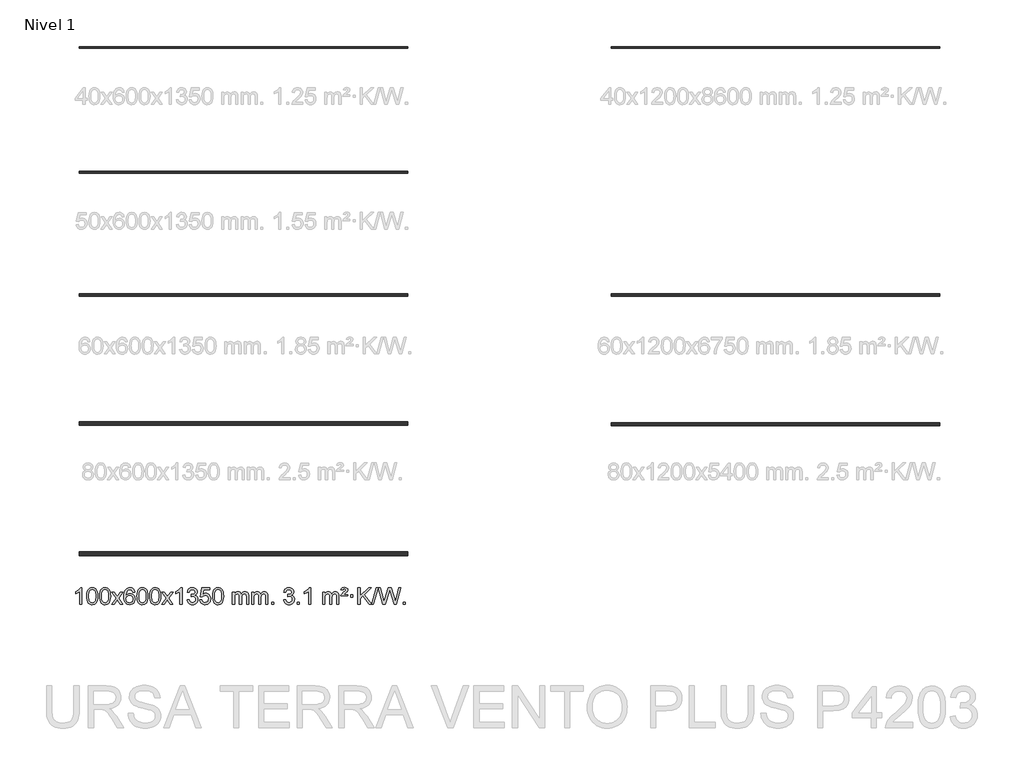
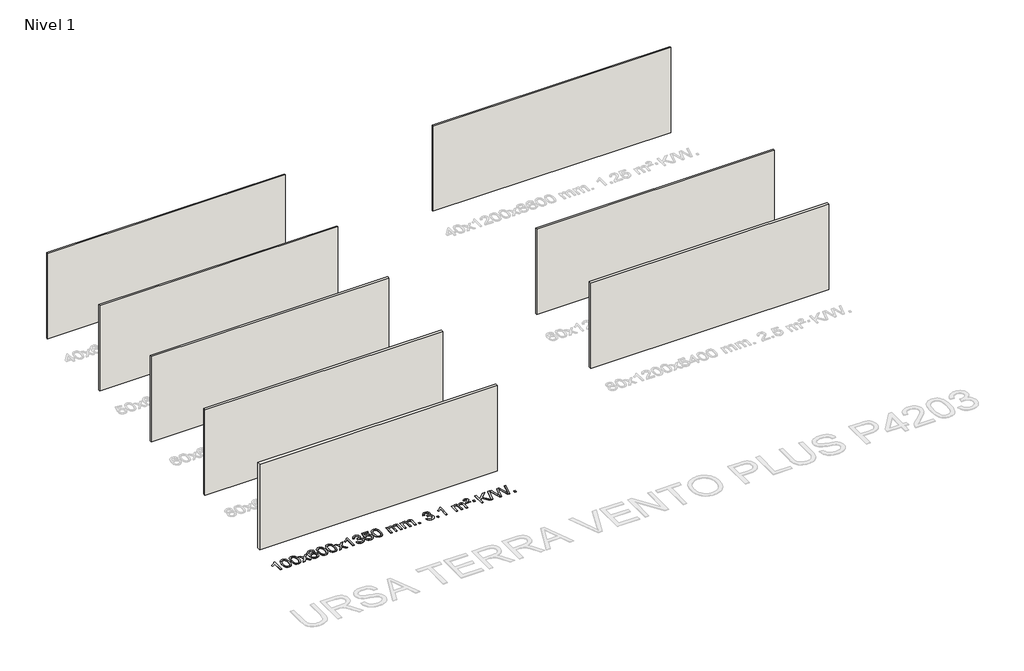
# One storey, part 1 of 9: 8 walls, 1 proxy.
"""IFC4 building model written with IfcOpenShell, lengths in millimetres."""

from ifc_helpers import new_model, si_unit, origin, origin_with_axes, place, context, project, spatial, polyline, outline, extrude, element, save

model = new_model("IFC4")

# Units and contexts
model_context = context("Model", 3, world=origin())
ifc_project = project(units=[si_unit("LENGTHUNIT", "METRE", prefix="MILLI")], contexts=[model_context])

# Site, building, storey
site = spatial("IfcSite", under=ifc_project)
building = spatial("IfcBuilding", under=site)
storey = spatial("IfcBuildingStorey", under=building, Name="Nivel 1", Elevation=0.0)

# Proxy
placement = place(None, origin())
element("IfcBuildingElementProxy", 1, Name="Texto de modelo 1", ObjectType="Texto de modelo 1", at=placement, inside=storey, context=model_context, shape_type="SweptSolid", body=[
    extrude(outline(polyline([(-12973.1124343, -9420.579453), (-13023.3405894, -9420.579453), (-13023.3405894, -9107.4382987), (-13044.3098631, -9124.3976587), (-13070.9199941, -9141.3324932), (-13123.7968995, -9166.6918254), (-13123.7968995, -9119.2105225), (-13084.3476869, -9097.7507395), (-13050.1714496, -9072.219729), (-13023.2302248, -9045.0700378), (-13005.4860499, -9018.7542124), (-12973.1124343, -9018.7542124), (-12973.1124343, -9420.579453)])), origin_with_axes(), (0.0, 0.0, 1.0), 10.0),
    extrude(outline(polyline([(-12853.820566, -9222.9041943), (-12850.1294833, -9158.5861588), (-12839.0562353, -9107.2911459), (-12820.7111864, -9068.2343407), (-12808.8531234, -9053.0009605), (-12795.2047014, -9040.6309284), (-12779.7199351, -9031.0598651), (-12762.3528393, -9024.2233914), (-12721.9716589, -9018.7542124), (-12691.0205204, -9021.991574), (-12663.3067434, -9031.7036586), (-12640.1301777, -9047.5103217), (-12622.790673, -9069.0314184), (-12609.694074, -9096.0830078), (-12599.2462253, -9128.4811488), (-12592.4036202, -9169.6226186), (-12590.1227518, -9222.9041943), (-12593.7770463, -9286.8543477), (-12604.7399298, -9338.0267333), (-12622.974614, -9377.1203266), (-12634.8050858, -9392.3996922), (-12648.4443108, -9404.8341036), (-12663.9474712, -9414.4695462), (-12681.3697494, -9421.3520052), (-12721.9716589, -9426.8579724), (-12749.636385, -9424.4667394), (-12774.1618513, -9417.2930405), (-12795.548058, -9405.3368757), (-12813.7950049, -9388.5982449), (-12831.3061879, -9358.3399508), (-12843.8141757, -9320.6381776), (-12851.3189684, -9275.4929255), (-12853.820566, -9222.9041943)]), holes=[polyline([(-12803.5924109, -9222.8060924), (-12802.1208829, -9266.4706195), (-12797.706299, -9301.8148822), (-12790.3486591, -9328.8388804), (-12780.0479632, -9347.5426142), (-12767.5890263, -9360.2682656), (-12753.7566633, -9369.3580165), (-12738.5508742, -9374.8118671), (-12721.9716589, -9376.6298173), (-12705.3924437, -9374.8057357), (-12690.1866545, -9369.3334911), (-12676.3542915, -9360.2130833), (-12663.8953546, -9347.4445124), (-12653.5946588, -9328.7101217), (-12646.2370188, -9301.6922549), (-12641.8224349, -9266.3909118), (-12640.3509069, -9222.8060924), (-12641.773384, -9180.2973278), (-12646.0408151, -9145.5753989), (-12653.1532004, -9118.6403055), (-12663.1105397, -9099.4920476), (-12675.3610101, -9086.1440625), (-12689.3527887, -9076.6097875), (-12705.0858753, -9070.8892225), (-12722.5602701, -9068.9823675), (-12739.0536462, -9070.6623619), (-12754.001918, -9075.7023452), (-12767.4050853, -9084.1023175), (-12779.2631483, -9095.8622786), (-12789.9072007, -9116.708925), (-12797.5100953, -9144.8151094), (-12802.071832, -9180.1808319), (-12803.5924109, -9222.8060924)])]), origin_with_axes(), (0.0, 0.0, 1.0), 10.0),
    extrude(outline(polyline([(-12546.1731162, -9222.9041943), (-12542.4820335, -9158.5861588), (-12531.4087854, -9107.2911459), (-12513.0637366, -9068.2343407), (-12501.2056736, -9053.0009605), (-12487.5572516, -9040.6309284), (-12472.0724853, -9031.0598651), (-12454.7053894, -9024.2233914), (-12414.3242091, -9018.7542124), (-12383.3730706, -9021.991574), (-12355.6592936, -9031.7036586), (-12332.4827279, -9047.5103217), (-12315.1432232, -9069.0314184), (-12302.0466242, -9096.0830078), (-12291.5987755, -9128.4811488), (-12284.7561704, -9169.6226186), (-12282.475302, -9222.9041943), (-12286.1295965, -9286.8543477), (-12297.09248, -9338.0267333), (-12315.3271642, -9377.1203266), (-12327.157636, -9392.3996922), (-12340.796861, -9404.8341036), (-12356.3000214, -9414.4695462), (-12373.7222996, -9421.3520052), (-12414.3242091, -9426.8579724), (-12441.9889351, -9424.4667394), (-12466.5144015, -9417.2930405), (-12487.9006081, -9405.3368757), (-12506.1475551, -9388.5982449), (-12523.6587381, -9358.3399508), (-12536.1667259, -9320.6381776), (-12543.6715186, -9275.4929255), (-12546.1731162, -9222.9041943)]), holes=[polyline([(-12495.9449611, -9222.8060924), (-12494.4734331, -9266.4706195), (-12490.0588492, -9301.8148822), (-12482.7012093, -9328.8388804), (-12472.4005134, -9347.5426142), (-12459.9415765, -9360.2682656), (-12446.1092135, -9369.3580165), (-12430.9034243, -9374.8118671), (-12414.3242091, -9376.6298173), (-12397.7449938, -9374.8057357), (-12382.5392047, -9369.3334911), (-12368.7068417, -9360.2130833), (-12356.2479048, -9347.4445124), (-12345.9472089, -9328.7101217), (-12338.589569, -9301.6922549), (-12334.1749851, -9266.3909118), (-12332.7034571, -9222.8060924), (-12334.1259341, -9180.2973278), (-12338.3933653, -9145.5753989), (-12345.5057505, -9118.6403055), (-12355.4630899, -9099.4920476), (-12367.7135603, -9086.1440625), (-12381.7053388, -9076.6097875), (-12397.4384255, -9070.8892225), (-12414.9128203, -9068.9823675), (-12431.4061964, -9070.6623619), (-12446.3544681, -9075.7023452), (-12459.7576355, -9084.1023175), (-12471.6156985, -9095.8622786), (-12482.2597509, -9116.708925), (-12489.8626454, -9144.8151094), (-12494.4243822, -9180.1808319), (-12495.9449611, -9222.8060924)])]), origin_with_axes(), (0.0, 0.0, 1.0), 10.0),
    extrude(outline(polyline([(-12257.3612245, -9420.579453), (-12150.0377838, -9272.2494325), (-12251.0827051, -9125.4890419), (-12190.651956, -9125.4890419), (-12141.8953289, -9196.122385), (-12119.1356962, -9229.4770192), (-12099.4172212, -9202.2047007), (-12043.8915654, -9125.4890419), (-11983.4608163, -9125.4890419), (-12089.6070347, -9272.2494325), (-11987.384891, -9420.579453), (-12047.81564, -9420.579453), (-12109.3255096, -9331.4048574), (-12120.6072241, -9315.1199477), (-12196.9304754, -9420.579453), (-12257.3612245, -9420.579453)])), origin_with_axes(), (0.0, 0.0, 1.0), 10.0),
    extrude(outline(polyline([(-11698.5729993, -9125.4890419), (-11748.8011543, -9131.7675613), (-11756.8945582, -9106.874213), (-11767.8329162, -9089.8780648), (-11790.6170745, -9074.2062918), (-11818.1591732, -9068.9823675), (-11841.5074171, -9072.0235253), (-11863.482235, -9081.1469988), (-11882.3545813, -9100.3627017), (-11897.7688369, -9126.8134171), (-11908.1798974, -9164.227016), (-11912.0426583, -9216.3313693), (-11891.8949877, -9192.8237098), (-11867.7496661, -9176.2567573), (-11840.9555941, -9166.434308), (-11812.8616724, -9163.1601582), (-11788.7286136, -9165.398107), (-11766.4594901, -9172.1119534), (-11746.0543021, -9183.3016975), (-11727.5130496, -9198.9673391), (-11712.1049253, -9218.1769106), (-11701.0991223, -9239.9984443), (-11694.4956405, -9264.4319401), (-11692.2944799, -9291.4773982), (-11696.4392837, -9327.4439945), (-11708.8736951, -9360.786366), (-11728.5676446, -9389.0642287), (-11754.4910625, -9409.8372987), (-11785.4667265, -9422.602804), (-11820.3174142, -9426.8579724), (-11850.2599429, -9424.0375437), (-11877.3023353, -9415.5762579), (-11901.4445912, -9401.4741147), (-11922.6867107, -9381.7311143), (-11940.0047557, -9355.5133908), (-11952.3747877, -9321.9870783), (-11959.796807, -9281.1521768), (-11962.2708134, -9233.0086864), (-11959.5239612, -9179.0342663), (-11951.2834045, -9132.9693092), (-11937.5491433, -9094.8138149), (-11918.3211777, -9064.5677835), (-11897.4806627, -9044.5243462), (-11873.316947, -9030.2076052), (-11845.8300306, -9021.6175606), (-11815.0199135, -9018.7542124), (-11791.8862673, -9020.5261773), (-11770.9476505, -9025.8420722), (-11752.2040628, -9034.7018969), (-11735.6555044, -9047.1056515), (-11721.749565, -9062.6364031), (-11710.9338343, -9080.8772186), (-11703.2083124, -9101.8280983), (-11698.5729993, -9125.4890419)]), holes=[polyline([(-11912.0426583, -9290.6925832), (-11909.1363906, -9312.9494439), (-11900.4175873, -9334.2007605), (-11886.8795299, -9352.472233), (-11869.5154997, -9365.7895612), (-11848.5584887, -9373.9197533), (-11824.2414888, -9376.6298173), (-11791.0953211, -9371.0134855), (-11777.1801846, -9363.9930708), (-11765.0370131, -9354.1644901), (-11755.1869726, -9341.9262824), (-11748.1512295, -9327.6769865), (-11742.522635, -9293.1451299), (-11748.0776531, -9259.9989621), (-11755.0214257, -9246.3781312), (-11764.7427075, -9234.725469), (-11776.9226672, -9225.3904634), (-11791.2424739, -9218.7226022), (-11826.301628, -9213.3883133), (-11859.3987448, -9218.7226022), (-11887.0757336, -9234.725469), (-11897.9987632, -9246.2248471), (-11905.8009272, -9259.3858254), (-11910.4822255, -9274.2084042), (-11912.0426583, -9290.6925832)])]), origin_with_axes(), (0.0, 0.0, 1.0), 10.0),
    extrude(outline(polyline([(-11648.3448442, -9222.9041943), (-11644.6537615, -9158.5861588), (-11633.5805135, -9107.2911459), (-11615.2354646, -9068.2343407), (-11603.3774017, -9053.0009605), (-11589.7289796, -9040.6309284), (-11574.2442133, -9031.0598651), (-11556.8771175, -9024.2233914), (-11516.4959371, -9018.7542124), (-11485.5447986, -9021.991574), (-11457.8310216, -9031.7036586), (-11434.6544559, -9047.5103217), (-11417.3149512, -9069.0314184), (-11404.2183522, -9096.0830078), (-11393.7705035, -9128.4811488), (-11386.9278984, -9169.6226186), (-11384.6470301, -9222.9041943), (-11388.3013245, -9286.8543477), (-11399.264208, -9338.0267333), (-11417.4988922, -9377.1203266), (-11429.3293641, -9392.3996922), (-11442.968589, -9404.8341036), (-11458.4717494, -9414.4695462), (-11475.8940276, -9421.3520052), (-11516.4959371, -9426.8579724), (-11544.1606632, -9424.4667394), (-11568.6861295, -9417.2930405), (-11590.0723362, -9405.3368757), (-11608.3192831, -9388.5982449), (-11625.8304661, -9358.3399508), (-11638.3384539, -9320.6381776), (-11645.8432466, -9275.4929255), (-11648.3448442, -9222.9041943)]), holes=[polyline([(-11598.1166891, -9222.8060924), (-11596.6451611, -9266.4706195), (-11592.2305772, -9301.8148822), (-11584.8729373, -9328.8388804), (-11574.5722414, -9347.5426142), (-11562.1133045, -9360.2682656), (-11548.2809415, -9369.3580165), (-11533.0751524, -9374.8118671), (-11516.4959371, -9376.6298173), (-11499.9167219, -9374.8057357), (-11484.7109327, -9369.3334911), (-11470.8785697, -9360.2130833), (-11458.4196328, -9347.4445124), (-11448.118937, -9328.7101217), (-11440.7612971, -9301.6922549), (-11436.3467131, -9266.3909118), (-11434.8751851, -9222.8060924), (-11436.2976622, -9180.2973278), (-11440.5650933, -9145.5753989), (-11447.6774786, -9118.6403055), (-11457.6348179, -9099.4920476), (-11469.8852883, -9086.1440625), (-11483.8770669, -9076.6097875), (-11499.6101535, -9070.8892225), (-11517.0845483, -9068.9823675), (-11533.5779244, -9070.6623619), (-11548.5261962, -9075.7023452), (-11561.9293635, -9084.1023175), (-11573.7874265, -9095.8622786), (-11584.4314789, -9116.708925), (-11592.0343735, -9144.8151094), (-11596.5961102, -9180.1808319), (-11598.1166891, -9222.8060924)])]), origin_with_axes(), (0.0, 0.0, 1.0), 10.0),
    extrude(outline(polyline([(-11340.6973944, -9222.9041943), (-11337.0063117, -9158.5861588), (-11325.9330636, -9107.2911459), (-11307.5880148, -9068.2343407), (-11295.7299518, -9053.0009605), (-11282.0815298, -9040.6309284), (-11266.5967635, -9031.0598651), (-11249.2296676, -9024.2233914), (-11208.8484873, -9018.7542124), (-11177.8973488, -9021.991574), (-11150.1835718, -9031.7036586), (-11127.0070061, -9047.5103217), (-11109.6675014, -9069.0314184), (-11096.5709024, -9096.0830078), (-11086.1230537, -9128.4811488), (-11079.2804486, -9169.6226186), (-11076.9995802, -9222.9041943), (-11080.6538747, -9286.8543477), (-11091.6167582, -9338.0267333), (-11109.8514424, -9377.1203266), (-11121.6819142, -9392.3996922), (-11135.3211392, -9404.8341036), (-11150.8242996, -9414.4695462), (-11168.2465778, -9421.3520052), (-11208.8484873, -9426.8579724), (-11236.5132133, -9424.4667394), (-11261.0386797, -9417.2930405), (-11282.4248863, -9405.3368757), (-11300.6718333, -9388.5982449), (-11318.1830163, -9358.3399508), (-11330.6910041, -9320.6381776), (-11338.1957968, -9275.4929255), (-11340.6973944, -9222.9041943)]), holes=[polyline([(-11290.4692393, -9222.8060924), (-11288.9977113, -9266.4706195), (-11284.5831274, -9301.8148822), (-11277.2254875, -9328.8388804), (-11266.9247916, -9347.5426142), (-11254.4658547, -9360.2682656), (-11240.6334917, -9369.3580165), (-11225.4277025, -9374.8118671), (-11208.8484873, -9376.6298173), (-11192.269272, -9374.8057357), (-11177.0634829, -9369.3334911), (-11163.2311199, -9360.2130833), (-11150.772183, -9347.4445124), (-11140.4714871, -9328.7101217), (-11133.1138472, -9301.6922549), (-11128.6992633, -9266.3909118), (-11127.2277353, -9222.8060924), (-11128.6502123, -9180.2973278), (-11132.9176435, -9145.5753989), (-11140.0300287, -9118.6403055), (-11149.9873681, -9099.4920476), (-11162.2378385, -9086.1440625), (-11176.2296171, -9076.6097875), (-11191.9627037, -9070.8892225), (-11209.4370985, -9068.9823675), (-11225.9304746, -9070.6623619), (-11240.8787463, -9075.7023452), (-11254.2819137, -9084.1023175), (-11266.1399767, -9095.8622786), (-11276.7840291, -9116.708925), (-11284.3869236, -9144.8151094), (-11288.9486604, -9180.1808319), (-11290.4692393, -9222.8060924)])]), origin_with_axes(), (0.0, 0.0, 1.0), 10.0),
    extrude(outline(polyline([(-11051.8855027, -9420.579453), (-10944.562062, -9272.2494325), (-11045.6069833, -9125.4890419), (-10985.1762342, -9125.4890419), (-10936.4196071, -9196.122385), (-10913.6599744, -9229.4770192), (-10893.9414994, -9202.2047007), (-10838.4158436, -9125.4890419), (-10777.9850945, -9125.4890419), (-10884.1313129, -9272.2494325), (-10781.9091692, -9420.579453), (-10842.3399182, -9420.579453), (-10903.8497878, -9331.4048574), (-10915.1315023, -9315.1199477), (-10991.4547536, -9420.579453), (-11051.8855027, -9420.579453)])), origin_with_axes(), (0.0, 0.0, 1.0), 10.0),
    extrude(outline(polyline([(-10562.1609907, -9420.579453), (-10612.3891458, -9420.579453), (-10612.3891458, -9107.4382987), (-10633.3584195, -9124.3976587), (-10659.9685505, -9141.3324932), (-10712.8454559, -9166.6918254), (-10712.8454559, -9119.2105225), (-10673.3962433, -9097.7507395), (-10639.220006, -9072.219729), (-10612.2787812, -9045.0700378), (-10594.5346063, -9018.7542124), (-10562.1609907, -9018.7542124), (-10562.1609907, -9420.579453)])), origin_with_axes(), (0.0, 0.0, 1.0), 10.0),
    extrude(outline(polyline([(-10442.8691224, -9313.8446235), (-10392.6409673, -9307.5661041), (-10381.396041, -9339.1303793), (-10364.9271904, -9360.4430095), (-10342.425075, -9372.5831154), (-10313.0803545, -9376.6298173), (-10278.6465998, -9371.0625364), (-10264.3727783, -9364.1034354), (-10252.0609942, -9354.3606939), (-10235.0648461, -9329.4428201), (-10229.3994633, -9299.2274455), (-10235.0157951, -9270.5449126), (-10251.8647905, -9247.2825078), (-10277.3712755, -9231.8682522), (-10308.9600762, -9226.730167), (-10344.1786458, -9232.2238715), (-10338.5868395, -9181.9957164), (-10330.5424865, -9182.5843276), (-10300.4497393, -9178.979084), (-10273.5453028, -9168.1633534), (-10262.4720547, -9159.9841103), (-10254.5625918, -9149.8673555), (-10249.8169141, -9137.8130888), (-10248.2350215, -9123.8213102), (-10252.8212837, -9102.1285352), (-10266.5800703, -9084.5315131), (-10287.5738695, -9072.8696539), (-10313.8651694, -9068.9823675), (-10340.2055203, -9072.9064421), (-10361.7388797, -9084.6786659), (-10377.4597037, -9104.299039), (-10386.3624479, -9131.7675613), (-10436.590603, -9125.4890419), (-10430.6370461, -9101.5092672), (-10421.8017468, -9080.3867093), (-10410.0847053, -9062.1213683), (-10395.4859214, -9046.713244), (-10378.4652478, -9034.4811677), (-10359.4825368, -9025.7439703), (-10338.5377886, -9020.5016519), (-10315.631003, -9018.7542124), (-10284.0544651, -9022.2000404), (-10255.0531011, -9032.5375245), (-10230.6012112, -9048.8469596), (-10212.6730953, -9070.2086408), (-10201.6734236, -9094.8199463), (-10198.0068664, -9120.8782543), (-10201.4894826, -9145.1584659), (-10211.9373313, -9167.1823347), (-10229.2032596, -9185.9443165), (-10253.1401148, -9200.4388671), (-10221.6984669, -9213.1430586), (-10198.3992739, -9234.77452), (-10183.9782997, -9264.1560286), (-10179.1713083, -9300.1103623), (-10181.574804, -9325.5923218), (-10188.7852911, -9349.0631931), (-10200.8027696, -9370.5229762), (-10217.6272395, -9389.971671), (-10238.124398, -9406.1094278), (-10261.1599423, -9417.636397), (-10286.7338723, -9424.5525785), (-10314.8461881, -9426.8579724), (-10340.2545712, -9424.8898037), (-10363.4066114, -9418.9852977), (-10384.3023088, -9409.1444543), (-10402.9416632, -9395.3672736), (-10418.5705166, -9378.4630959), (-10430.434711, -9359.2412617), (-10438.5342462, -9337.7017708), (-10442.8691224, -9313.8446235)])), origin_with_axes(), (0.0, 0.0, 1.0), 10.0),
    extrude(outline(polyline([(-10135.2216726, -9313.8446235), (-10084.9935175, -9307.5661041), (-10075.7719421, -9337.7201649), (-10059.6832362, -9359.3148381), (-10036.8009761, -9372.3010725), (-10007.1987382, -9376.6298173), (-9988.0688745, -9375.1245668), (-9971.1953537, -9370.6088153), (-9956.5781757, -9363.0825628), (-9944.2173407, -9352.5458094), (-9934.38876, -9339.519721), (-9927.3683453, -9324.5254641), (-9921.7520135, -9288.6324441), (-9927.012726, -9254.8363514), (-9933.5886167, -9240.9181493), (-9942.7948636, -9228.9865099), (-9954.6621237, -9219.4154467), (-9969.2210536, -9212.5789729), (-10006.4139233, -9207.1097939), (-10030.7799741, -9209.2925604), (-10050.5107118, -9215.8408599), (-10066.2683239, -9225.8717757), (-10078.7149981, -9238.5023908), (-10128.9431532, -9232.2238715), (-10084.9935175, -9025.0327318), (-9890.3594166, -9025.0327318), (-9890.3594166, -9075.2608869), (-10044.3793452, -9075.2608869), (-10065.8636537, -9185.919791), (-10048.1378729, -9173.2155994), (-10029.9828965, -9164.1411769), (-10011.3987244, -9158.6965234), (-9992.3853566, -9156.8816388), (-9967.9242696, -9159.1318504), (-9945.4558767, -9165.882485), (-9924.980178, -9177.1335427), (-9906.4971734, -9192.8850234), (-9891.1963481, -9212.1743027), (-9880.2671872, -9234.038756), (-9873.7096906, -9258.4783832), (-9871.5238584, -9285.4931844), (-9873.4920271, -9311.5147042), (-9879.3965331, -9335.7213394), (-9889.2373765, -9358.1130902), (-9903.0145572, -9378.6899565), (-9923.8857291, -9399.7634634), (-9948.2395172, -9414.8159684), (-9976.0759215, -9423.8474714), (-10007.394942, -9426.8579724), (-10033.3152942, -9424.9235262), (-10056.7279175, -9419.1201877), (-10077.6328119, -9409.447957), (-10096.0299773, -9395.9068338), (-10111.336934, -9379.1712688), (-10122.9712021, -9359.915712), (-10130.9327816, -9338.1401636), (-10135.2216726, -9313.8446235)])), origin_with_axes(), (0.0, 0.0, 1.0), 10.0),
    extrude(outline(polyline([(-9827.5742227, -9222.9041943), (-9823.8831401, -9158.5861588), (-9812.809892, -9107.2911459), (-9794.4648432, -9068.2343407), (-9782.6067802, -9053.0009605), (-9768.9583582, -9040.6309284), (-9753.4735919, -9031.0598651), (-9736.106496, -9024.2233914), (-9695.7253157, -9018.7542124), (-9664.7741771, -9021.991574), (-9637.0604002, -9031.7036586), (-9613.8838345, -9047.5103217), (-9596.5443298, -9069.0314184), (-9583.4477307, -9096.0830078), (-9572.9998821, -9128.4811488), (-9566.157277, -9169.6226186), (-9563.8764086, -9222.9041943), (-9567.5307031, -9286.8543477), (-9578.4935865, -9338.0267333), (-9596.7282708, -9377.1203266), (-9608.5587426, -9392.3996922), (-9622.1979676, -9404.8341036), (-9637.701128, -9414.4695462), (-9655.1234061, -9421.3520052), (-9695.7253157, -9426.8579724), (-9723.3900417, -9424.4667394), (-9747.915508, -9417.2930405), (-9769.3017147, -9405.3368757), (-9787.5486617, -9388.5982449), (-9805.0598446, -9358.3399508), (-9817.5678325, -9320.6381776), (-9825.0726252, -9275.4929255), (-9827.5742227, -9222.9041943)]), holes=[polyline([(-9777.3460677, -9222.8060924), (-9775.8745397, -9266.4706195), (-9771.4599557, -9301.8148822), (-9764.1023158, -9328.8388804), (-9753.80162, -9347.5426142), (-9741.3426831, -9360.2682656), (-9727.51032, -9369.3580165), (-9712.3045309, -9374.8118671), (-9695.7253157, -9376.6298173), (-9679.1461004, -9374.8057357), (-9663.9403113, -9369.3334911), (-9650.1079483, -9360.2130833), (-9637.6490114, -9347.4445124), (-9627.3483155, -9328.7101217), (-9619.9906756, -9301.6922549), (-9615.5760916, -9266.3909118), (-9614.1045637, -9222.8060924), (-9615.5270407, -9180.2973278), (-9619.7944719, -9145.5753989), (-9626.9068571, -9118.6403055), (-9636.8641964, -9099.4920476), (-9649.1146669, -9086.1440625), (-9663.1064454, -9076.6097875), (-9678.8395321, -9070.8892225), (-9696.3139269, -9068.9823675), (-9712.807303, -9070.6623619), (-9727.7555747, -9075.7023452), (-9741.1587421, -9084.1023175), (-9753.016805, -9095.8622786), (-9763.6608574, -9116.708925), (-9771.263752, -9144.8151094), (-9775.8254887, -9180.1808319), (-9777.3460677, -9222.8060924)])]), origin_with_axes(), (0.0, 0.0, 1.0), 10.0),
    extrude(outline(polyline([(-9350.4067495, -9420.579453), (-9350.4067495, -9125.4890419), (-9300.1785945, -9125.4890419), (-9300.1785945, -9174.0494653), (-9285.0709072, -9151.7435537), (-9265.6467378, -9134.2691589), (-9242.568274, -9122.9751816), (-9216.4977033, -9119.2105225), (-9188.5631971, -9123.048758), (-9166.1714463, -9134.5634645), (-9149.4450783, -9152.9943524), (-9138.5067203, -9177.5811324), (-9120.1984597, -9152.0439906), (-9099.3150251, -9133.803175), (-9075.8564165, -9122.8586857), (-9049.822634, -9119.2105225), (-9029.7148173, -9120.7280358), (-9012.0656786, -9125.2805755), (-8996.8752178, -9132.8681416), (-8984.1434351, -9143.4907342), (-8974.0787969, -9157.2709806), (-8966.8897696, -9174.3315082), (-8962.5763532, -9194.6723168), (-8961.1385477, -9218.2934066), (-8961.1385477, -9420.579453), (-9011.3667028, -9420.579453), (-9011.3667028, -9239.875817), (-9012.5316624, -9214.8230531), (-9016.0265414, -9197.9372695), (-9022.5748409, -9186.3735121), (-9032.9000622, -9177.2868268), (-9046.1806022, -9171.4007149), (-9061.5948578, -9169.4386776), (-9088.8058628, -9174.4663982), (-9110.9891471, -9189.54956), (-9119.5945201, -9201.1194488), (-9125.7412151, -9215.7182326), (-9130.6585711, -9254.0024856), (-9130.6585711, -9420.579453), (-9180.8867261, -9420.579453), (-9180.8867261, -9234.2840106), (-9183.7929939, -9205.8835206), (-9192.5117972, -9185.6254854), (-9207.8524764, -9173.4853796), (-9230.6243719, -9169.4386776), (-9249.9749648, -9172.1364789), (-9267.8049789, -9180.2298828), (-9282.5202587, -9193.5226856), (-9292.526649, -9211.8186835), (-9298.2656081, -9237.2025411), (-9300.1785945, -9271.7589232), (-9300.1785945, -9420.579453), (-9350.4067495, -9420.579453)])), origin_with_axes(), (0.0, 0.0, 1.0), 10.0),
    extrude(outline(polyline([(-8885.7963151, -9420.579453), (-8885.7963151, -9125.4890419), (-8835.56816, -9125.4890419), (-8835.56816, -9174.0494653), (-8820.4604727, -9151.7435537), (-8801.0363034, -9134.2691589), (-8777.9578396, -9122.9751816), (-8751.8872688, -9119.2105225), (-8723.9527627, -9123.048758), (-8701.5610119, -9134.5634645), (-8684.8346439, -9152.9943524), (-8673.8962859, -9177.5811324), (-8655.5880252, -9152.0439906), (-8634.7045906, -9133.803175), (-8611.2459821, -9122.8586857), (-8585.2121996, -9119.2105225), (-8565.1043828, -9120.7280358), (-8547.4552441, -9125.2805755), (-8532.2647834, -9132.8681416), (-8519.5330007, -9143.4907342), (-8509.4683624, -9157.2709806), (-8502.2793351, -9174.3315082), (-8497.9659187, -9194.6723168), (-8496.5281133, -9218.2934066), (-8496.5281133, -9420.579453), (-8546.7562683, -9420.579453), (-8546.7562683, -9239.875817), (-8547.921228, -9214.8230531), (-8551.4161069, -9197.9372695), (-8557.9644064, -9186.3735121), (-8568.2896278, -9177.2868268), (-8581.5701678, -9171.4007149), (-8596.9844234, -9169.4386776), (-8624.1954283, -9174.4663982), (-8646.3787126, -9189.54956), (-8654.9840856, -9201.1194488), (-8661.1307806, -9215.7182326), (-8666.0481366, -9254.0024856), (-8666.0481366, -9420.579453), (-8716.2762917, -9420.579453), (-8716.2762917, -9234.2840106), (-8719.1825595, -9205.8835206), (-8727.9013628, -9185.6254854), (-8743.242042, -9173.4853796), (-8766.0139375, -9169.4386776), (-8785.3645304, -9172.1364789), (-8803.1945444, -9180.2298828), (-8817.9098242, -9193.5226856), (-8827.9162145, -9211.8186835), (-8833.6551736, -9237.2025411), (-8835.56816, -9271.7589232), (-8835.56816, -9420.579453), (-8885.7963151, -9420.579453)])), origin_with_axes(), (0.0, 0.0, 1.0), 10.0),
    extrude(outline(polyline([(-8408.6288419, -9420.579453), (-8408.6288419, -9370.3512979), (-8358.4006868, -9370.3512979), (-8358.4006868, -9420.579453), (-8408.6288419, -9420.579453)])), origin_with_axes(), (0.0, 0.0, 1.0), 10.0),
    extrude(outline(polyline([(-8119.8169502, -9313.8446235), (-8069.5887951, -9307.5661041), (-8058.3438688, -9339.1303793), (-8041.8750181, -9360.4430095), (-8019.3729028, -9372.5831154), (-7990.0281823, -9376.6298173), (-7955.5944275, -9371.0625364), (-7941.3206061, -9364.1034354), (-7929.008822, -9354.3606939), (-7912.0126739, -9329.4428201), (-7906.3472911, -9299.2274455), (-7911.9636229, -9270.5449126), (-7928.8126183, -9247.2825078), (-7954.3191033, -9231.8682522), (-7985.9079039, -9226.730167), (-8021.1264736, -9232.2238715), (-8015.5346673, -9181.9957164), (-8007.4903143, -9182.5843276), (-7977.3975671, -9178.979084), (-7950.4931305, -9168.1633534), (-7939.4198825, -9159.9841103), (-7931.5104196, -9149.8673555), (-7926.7647419, -9137.8130888), (-7925.1828493, -9123.8213102), (-7929.7691115, -9102.1285352), (-7943.5278981, -9084.5315131), (-7964.5216973, -9072.8696539), (-7990.8129972, -9068.9823675), (-8017.1533481, -9072.9064421), (-8038.6867075, -9084.6786659), (-8054.4075314, -9104.299039), (-8063.3102757, -9131.7675613), (-8113.5384308, -9125.4890419), (-8107.5848739, -9101.5092672), (-8098.7495746, -9080.3867093), (-8087.0325331, -9062.1213683), (-8072.4337492, -9046.713244), (-8055.4130756, -9034.4811677), (-8036.4303646, -9025.7439703), (-8015.4856164, -9020.5016519), (-7992.5788308, -9018.7542124), (-7961.0022929, -9022.2000404), (-7932.0009289, -9032.5375245), (-7907.549039, -9048.8469596), (-7889.6209231, -9070.2086408), (-7878.6212514, -9094.8199463), (-7874.9546942, -9120.8782543), (-7878.4373104, -9145.1584659), (-7888.8851591, -9167.1823347), (-7906.1510874, -9185.9443165), (-7930.0879425, -9200.4388671), (-7898.6462947, -9213.1430586), (-7875.3471017, -9234.77452), (-7860.9261275, -9264.1560286), (-7856.119136, -9300.1103623), (-7858.5226318, -9325.5923218), (-7865.7331189, -9349.0631931), (-7877.7505974, -9370.5229762), (-7894.5750673, -9389.971671), (-7915.0722258, -9406.1094278), (-7938.10777, -9417.636397), (-7963.6817001, -9424.5525785), (-7991.7940159, -9426.8579724), (-8017.202399, -9424.8898037), (-8040.3544392, -9418.9852977), (-8061.2501366, -9409.1444543), (-8079.889491, -9395.3672736), (-8095.5183444, -9378.4630959), (-8107.3825388, -9359.2412617), (-8115.482074, -9337.7017708), (-8119.8169502, -9313.8446235)])), origin_with_axes(), (0.0, 0.0, 1.0), 10.0),
    extrude(outline(polyline([(-7787.0554228, -9420.579453), (-7787.0554228, -9370.3512979), (-7736.8272677, -9370.3512979), (-7736.8272677, -9420.579453), (-7787.0554228, -9420.579453)])), origin_with_axes(), (0.0, 0.0, 1.0), 10.0),
    extrude(outline(polyline([(-7466.8509342, -9420.579453), (-7517.0790893, -9420.579453), (-7517.0790893, -9107.4382987), (-7538.048363, -9124.3976587), (-7564.658494, -9141.3324932), (-7617.5353994, -9166.6918254), (-7617.5353994, -9119.2105225), (-7578.0861868, -9097.7507395), (-7543.9099495, -9072.219729), (-7516.9687247, -9045.0700378), (-7499.2245498, -9018.7542124), (-7466.8509342, -9018.7542124), (-7466.8509342, -9420.579453)])), origin_with_axes(), (0.0, 0.0, 1.0), 10.0),
    extrude(outline(polyline([(-7178.0390425, -9420.579453), (-7178.0390425, -9125.4890419), (-7127.8108875, -9125.4890419), (-7127.8108875, -9174.0494653), (-7112.7032002, -9151.7435537), (-7093.2790309, -9134.2691589), (-7070.200567, -9122.9751816), (-7044.1299963, -9119.2105225), (-7016.1954901, -9123.048758), (-6993.8037394, -9134.5634645), (-6977.0773713, -9152.9943524), (-6966.1390133, -9177.5811324), (-6947.8307527, -9152.0439906), (-6926.9473181, -9133.803175), (-6903.4887095, -9122.8586857), (-6877.454927, -9119.2105225), (-6857.3471103, -9120.7280358), (-6839.6979716, -9125.2805755), (-6824.5075109, -9132.8681416), (-6811.7757281, -9143.4907342), (-6801.7110899, -9157.2709806), (-6794.5220626, -9174.3315082), (-6790.2086462, -9194.6723168), (-6788.7708407, -9218.2934066), (-6788.7708407, -9420.579453), (-6838.9989958, -9420.579453), (-6838.9989958, -9239.875817), (-6840.1639554, -9214.8230531), (-6843.6588344, -9197.9372695), (-6850.2071339, -9186.3735121), (-6860.5323552, -9177.2868268), (-6873.8128953, -9171.4007149), (-6889.2271509, -9169.4386776), (-6916.4381558, -9174.4663982), (-6938.6214401, -9189.54956), (-6947.2268131, -9201.1194488), (-6953.3735081, -9215.7182326), (-6958.2908641, -9254.0024856), (-6958.2908641, -9420.579453), (-7008.5190192, -9420.579453), (-7008.5190192, -9234.2840106), (-7011.4252869, -9205.8835206), (-7020.1440902, -9185.6254854), (-7035.4847694, -9173.4853796), (-7058.2566649, -9169.4386776), (-7077.6072579, -9172.1364789), (-7095.4372719, -9180.2298828), (-7110.1525517, -9193.5226856), (-7120.158942, -9211.8186835), (-7125.8979011, -9237.2025411), (-7127.8108875, -9271.7589232), (-7127.8108875, -9420.579453), (-7178.0390425, -9420.579453)])), origin_with_axes(), (0.0, 0.0, 1.0), 10.0),
    extrude(outline(polyline([(-6744.821205, -9219.6668327), (-6740.9952323, -9203.8479069), (-6732.6565737, -9187.9799302), (-6711.1477397, -9162.8413272), (-6679.1910571, -9135.1030247), (-6635.0452177, -9097.726214), (-6627.908307, -9086.1992448), (-6625.5293367, -9074.3779701), (-6627.4177976, -9062.2869152), (-6633.0831804, -9052.5012541), (-6642.4519085, -9046.026531), (-6655.4504057, -9043.8682899), (-6667.8848171, -9045.4869707), (-6676.7385104, -9050.343013), (-6683.1641826, -9059.8098431), (-6688.3145306, -9075.2608869), (-6738.5426856, -9068.9823675), (-6727.7024295, -9043.7701881), (-6711.0741633, -9026.2099542), (-6687.3089864, -9015.9092583), (-6655.0579982, -9012.475693), (-6619.2753428, -9016.6082341), (-6594.5291473, -9029.0058573), (-6580.108173, -9047.3386434), (-6575.3011816, -9069.2766731), (-6579.3969345, -9092.1834586), (-6591.6841932, -9113.8149199), (-6612.2120085, -9133.6314968), (-6648.6813769, -9161.6886303), (-6674.2859638, -9188.2742358), (-6575.3011816, -9188.2742358), (-6575.3011816, -9219.6668327), (-6744.821205, -9219.6668327)])), origin_with_axes(), (0.0, 0.0, 1.0), 10.0),
    extrude(outline(polyline([(-6499.958949, -9244.7809102), (-6499.958949, -9194.5527552), (-6449.730794, -9194.5527552), (-6449.730794, -9244.7809102), (-6499.958949, -9244.7809102)])), origin_with_axes(), (0.0, 0.0, 1.0), 10.0),
    extrude(outline(polyline([(-6059.089166, -9420.579453), (-6212.5204835, -9217.9009991), (-6280.2107706, -9282.4520265), (-6280.2107706, -9420.579453), (-6330.4389257, -9420.579453), (-6330.4389257, -9018.7542124), (-6280.2107706, -9018.7542124), (-6280.2107706, -9215.4484525), (-6074.1968533, -9018.7542124), (-6003.9559177, -9018.7542124), (-6176.9095063, -9183.9577537), (-6002.2558965, -9414.5349332), (-5890.9425687, -9018.7542124), (-5845.6195069, -9018.7542124), (-5958.6328559, -9420.579453), (-5997.6773983, -9420.579453), (-6003.9559177, -9420.579453), (-6059.089166, -9420.579453)])), origin_with_axes(), (0.0, 0.0, 1.0), 10.0),
    extrude(outline(polyline([(-5731.13463, -9420.579453), (-5840.7144137, -9018.7542124), (-5788.9166288, -9018.7542124), (-5725.34662, -9282.844434), (-5705.7262469, -9364.3670841), (-5684.7324477, -9292.2622131), (-5605.073733, -9018.7542124), (-5530.4182135, -9018.7542124), (-5472.5381129, -9217.0180823), (-5447.7428664, -9290.5944814), (-5429.471394, -9364.3670841), (-5410.4396321, -9285.1988788), (-5346.2810122, -9018.7542124), (-5294.4832272, -9018.7542124), (-5404.1611127, -9420.579453), (-5457.8228331, -9420.579453), (-5554.1588649, -9110.5775584), (-5567.5988205, -9067.3146358), (-5582.7065077, -9119.4067263), (-5670.5076772, -9420.579453), (-5731.13463, -9420.579453)])), origin_with_axes(), (0.0, 0.0, 1.0), 10.0),
    extrude(outline(polyline([(-5237.9765528, -9420.579453), (-5237.9765528, -9370.3512979), (-5187.7483977, -9370.3512979), (-5187.7483977, -9420.579453), (-5237.9765528, -9420.579453)])), origin_with_axes(), (0.0, 0.0, 1.0), 10.0),
])

# Walls
element("IfcWall", 2, at=placement, inside=storey, context=model_context, shape_type="SweptSolid", body=[
    extrude(outline(polyline([(-5131.2417232, 3960.3831431), (-13031.2417232, 3960.3831431), (-13031.2417232, 4000.3831431), (-5131.2417232, 4000.3831431), (-5131.2417232, 3960.3831431)])), origin_with_axes(), (0.0, 0.0, 1.0), 3000.0),
])
element("IfcWall", 3, at=placement, inside=storey, context=model_context, shape_type="SweptSolid", body=[
    extrude(outline(polyline([(7668.7582768, -5129.6168569), (-231.2417232, -5129.6168569), (-231.2417232, -5049.6168569), (7668.7582768, -5049.6168569), (7668.7582768, -5129.6168569)])), origin_with_axes(), (0.0, 0.0, 1.0), 3000.0),
])
element("IfcWall", 4, at=placement, inside=storey, context=model_context, shape_type="SweptSolid", body=[
    extrude(outline(polyline([(-5131.2417232, -5109.6168569), (-13031.2417232, -5109.6168569), (-13031.2417232, -5029.6168569), (-5131.2417232, -5029.6168569), (-5131.2417232, -5109.6168569)])), origin_with_axes(), (0.0, 0.0, 1.0), 3000.0),
])
element("IfcWall", 5, at=placement, inside=storey, context=model_context, shape_type="SweptSolid", body=[
    extrude(outline(polyline([(-5131.2417232, 950.3831431), (-13031.2417232, 950.3831431), (-13031.2417232, 1000.3831431), (-5131.2417232, 1000.3831431), (-5131.2417232, 950.3831431)])), origin_with_axes(), (0.0, 0.0, 1.0), 3000.0),
])
element("IfcWall", 6, at=placement, inside=storey, context=model_context, shape_type="SweptSolid", body=[
    extrude(outline(polyline([(-5131.2417232, -2009.6168569), (-13031.2417232, -2009.6168569), (-13031.2417232, -1949.6168569), (-5131.2417232, -1949.6168569), (-5131.2417232, -2009.6168569)])), origin_with_axes(), (0.0, 0.0, 1.0), 3000.0),
])
element("IfcWall", 7, at=placement, inside=storey, context=model_context, shape_type="SweptSolid", body=[
    extrude(outline(polyline([(-5131.2417232, -8249.6168569), (-13031.2417232, -8249.6168569), (-13031.2417232, -8149.6168569), (-5131.2417232, -8149.6168569), (-5131.2417232, -8249.6168569)])), origin_with_axes(), (0.0, 0.0, 1.0), 3000.0),
])
element("IfcWall", 8, at=placement, inside=storey, context=model_context, shape_type="SweptSolid", body=[
    extrude(outline(polyline([(7668.7582768, -2009.6168569), (-231.2417232, -2009.6168569), (-231.2417232, -1949.6168569), (7668.7582768, -1949.6168569), (7668.7582768, -2009.6168569)])), origin_with_axes(), (0.0, 0.0, 1.0), 3000.0),
])
element("IfcWall", 9, at=placement, inside=storey, context=model_context, shape_type="SweptSolid", body=[
    extrude(outline(polyline([(7668.7582768, 3960.3831431), (-231.2417232, 3960.3831431), (-231.2417232, 4000.3831431), (7668.7582768, 4000.3831431), (7668.7582768, 3960.3831431)])), origin_with_axes(), (0.0, 0.0, 1.0), 3000.0),
])

save(model, "model.ifc")
